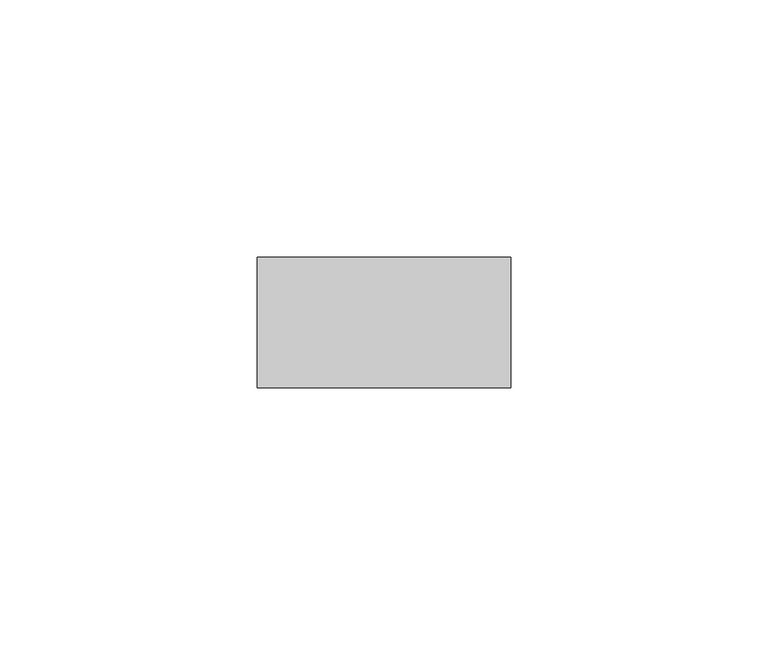
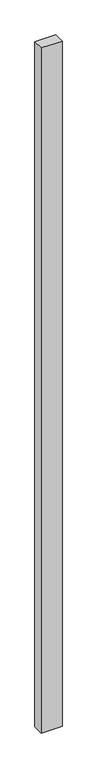
"""IFC4 building model written with IfcOpenShell, lengths in millimetres: plate geometry."""

from ifc_helpers import new_model, si_unit, origin, origin_with_axes, place, context, project, spatial, polyline, outline, extrude, source, transform, mapped, element, save


def plate_0b0be30b(model_context):
    return source(origin(), model_context, "Body", "SweptSolid", [
        extrude(outline(polyline([(24.6340206, -12.7), (-24.6340206, -12.7), (-24.6340206, 12.7), (24.6340206, 12.7), (24.6340206, -12.7)])), origin_with_axes(), (0.0, 0.0, 1.0), 1708.8912252),
    ])


if __name__ == "__main__":
    model = new_model("IFC4")
    model_context = context("Model", 3, world=origin())
    ifc_project = project(units=[si_unit("LENGTHUNIT", "METRE", prefix="MILLI")], contexts=[model_context])
    site = spatial("IfcSite", under=ifc_project)
    building = spatial("IfcBuilding", under=site)
    placement = place(None, origin())
    plate_shape = plate_0b0be30b(model_context)
    element("IfcPlate", 1, at=placement, inside=building, context=model_context, shape_type="MappedRepresentation", body=[
        mapped(plate_shape, transform((0.0, 0.0, 0.0), x_axis=(1.0, 0.0, 0.0), y_axis=(0.0, 1.0, 0.0), z_axis=(0.0, 0.0, 1.0))),
    ])
    save(model, "model.ifc")
